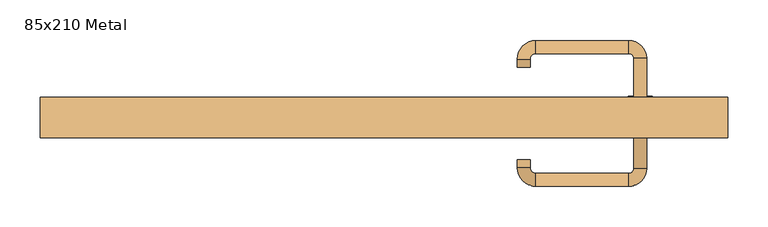
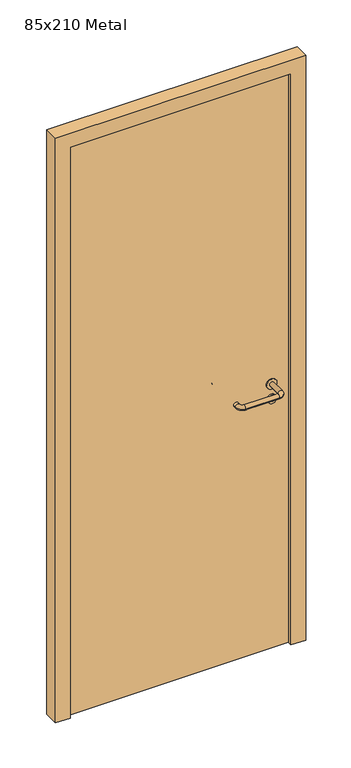
"""IFC4 building model written with IfcOpenShell, lengths in millimetres: door geometry, 85x210 Metal."""

from ifc_helpers import new_model, si_unit, point, frame, frame_2d, origin, origin_with_axes, place, context, project, spatial, polyline, circle_curve, ellipse_curve, trimmed, segment, composite_curve, outline, extrude, source, transform, mapped, element, save
from ifc_brep_helpers import plane_surface, cylinder_surface, revolved_surface, advanced_brep


def door_85x210_metal_9b842949(model_context):
    return source(origin(), model_context, "Body", "SolidModel", [
        extrude(outline(composite_curve([segment(trimmed(circle_curve(frame_2d((897.3605726, 317.0)), 15.0), [point((897.3605726, 332.0))], [point((897.3605726, 302.0))], False, "CARTESIAN"), True, "CONTINUOUS"), segment(trimmed(circle_curve(frame_2d((897.3605726, 317.0)), 15.0), [point((897.3605726, 302.0))], [point((897.3605726, 332.0))], False, "CARTESIAN"), True, "CONTINUOUS")], self_intersect=False), holes=[composite_curve([segment(trimmed(circle_curve(frame_2d((892.5833211, 316.9398032)), 2.0), [point((892.5833211, 318.9398032))], [point((892.5833211, 314.9398032))], True, "CARTESIAN"), True, "CONTINUOUS"), segment(polyline([(892.5833211, 314.9398032), (902.5833211, 314.9398032)]), True, "CONTINUOUS"), segment(trimmed(circle_curve(frame_2d((902.5833211, 316.9398032)), 2.0), [point((902.5833211, 314.9398032))], [point((902.5833211, 318.9398032))], True, "CARTESIAN"), True, "CONTINUOUS"), segment(polyline([(902.5833211, 318.9398032), (892.5833211, 318.9398032)]), True, "CONTINUOUS")], self_intersect=False)]), frame((0.0, 8.65, 0.0), z_axis=(0.0, 1.0, 0.0), x_axis=(0.0, 0.0, 1.0)), (0.0, 0.0, 1.0), 6.35),
        extrude(outline(composite_curve([segment(trimmed(circle_curve(frame_2d((950.0, 317.0)), 17.526), [point((950.0, 334.526))], [point((950.0, 299.474))], False, "CARTESIAN"), True, "CONTINUOUS"), segment(trimmed(circle_curve(frame_2d((950.0, 317.0)), 17.526), [point((950.0, 299.474))], [point((950.0, 334.526))], False, "CARTESIAN"), True, "CONTINUOUS")], self_intersect=False)), frame((0.0, 11.825, 0.0), z_axis=(0.0, 1.0, 0.0), x_axis=(0.0, 0.0, 1.0)), (0.0, 0.0, 1.0), 3.175),
        advanced_brep(
        [(325.0, 15.0, 950.0), (309.0, 15.0, 950.0), (309.0, -38.0, 950.0), (325.0, -38.0, 950.0), (302.8578644, -44.1421356, 950.0), (302.8578644, -60.1421356, 950.0), (187.8578644, -44.1421356, 950.0), (187.8578644, -60.1421356, 950.0), (181.008622, -37.2928932, 950.0), (165.008622, -37.2928932, 950.0), (165.008622, -27.2928932, 950.0), (181.008622, -27.2928932, 950.0)],
        [
            (0, 1, circle_curve(frame((317.0, 15.0, 950.0), z_axis=(0.0, 1.0, 0.0), x_axis=(-1.0, 0.0, 0.0)), 8.0)),
            (1, 0, circle_curve(frame((317.0, 15.0, 950.0), z_axis=(0.0, 1.0, 0.0), x_axis=(-1.0, 0.0, 0.0)), 8.0)),
            (1, 2),
            (2, 3, circle_curve(frame((317.0, -38.0, 950.0), z_axis=(0.0, 1.0, 0.0), x_axis=(-1.0, 0.0, 0.0)), 8.0)),
            (3, 0),
            (3, 2, circle_curve(frame((317.0, -38.0, 950.0), z_axis=(0.0, 1.0, 0.0), x_axis=(-1.0, 0.0, 0.0)), 8.0)),
            (4, 5, circle_curve(frame((302.8578644, -52.1421356, 950.0), z_axis=(1.0, 0.0, 0.0), x_axis=(0.0, 1.0, 0.0)), 8.0)),
            (5, 3, circle_curve(frame((302.8578644, -38.0, 950.0), z_axis=(0.0, 0.0, 1.0), x_axis=(1.0, 0.0, 0.0)), 22.1421356)),
            (2, 4, circle_curve(frame((302.8578644, -38.0, 950.0), z_axis=(0.0, 0.0, -1.0), x_axis=(1.0, 0.0, 0.0)), 6.1421356)),
            (5, 4, circle_curve(frame((302.8578644, -52.1421356, 950.0), z_axis=(1.0, 0.0, 0.0), x_axis=(0.0, 1.0, 0.0)), 8.0)),
            (4, 6),
            (6, 7, circle_curve(frame((187.8578644, -52.1421356, 950.0), z_axis=(1.0, 0.0, 0.0), x_axis=(0.0, 1.0, 0.0)), 8.0)),
            (7, 5),
            (7, 6, circle_curve(frame((187.8578644, -52.1421356, 950.0), z_axis=(1.0, 0.0, 0.0), x_axis=(0.0, 1.0, 0.0)), 8.0)),
            (8, 9, circle_curve(frame((173.008622, -37.2928932, 950.0), z_axis=(0.0, -1.0, 0.0), x_axis=(1.0, 0.0, 0.0)), 8.0)),
            (9, 7, circle_curve(frame((187.8578644, -37.2928932, 950.0), z_axis=(0.0, 0.0, 1.0), x_axis=(0.0, -1.0, 0.0)), 22.8492424)),
            (6, 8, circle_curve(frame((187.8578644, -37.2928932, 950.0), z_axis=(0.0, 0.0, -1.0), x_axis=(0.0, -1.0, 0.0)), 6.8492424)),
            (9, 8, circle_curve(frame((173.008622, -37.2928932, 950.0), z_axis=(0.0, -1.0, 0.0), x_axis=(1.0, 0.0, 0.0)), 8.0)),
            (10, 11, circle_curve(frame((173.008622, -27.2928932, 950.0), z_axis=(0.0, 1.0, 0.0), x_axis=(1.0, 0.0, 0.0)), 8.0)),
            (11, 10, circle_curve(frame((173.008622, -27.2928932, 950.0), z_axis=(0.0, 1.0, 0.0), x_axis=(1.0, 0.0, 0.0)), 8.0)),
            (8, 11),
            (10, 9),
        ],
        [
            plane_surface(frame((317.0, 15.0, 170.0), z_axis=(0.0, 1.0, 0.0), x_axis=(0.0, 0.0, 1.0))),
            cylinder_surface(frame((317.0, 15.0, 950.0), z_axis=(0.0, 1.0, 0.0), x_axis=(-1.0, 0.0, 0.0)), 8.0),
            revolved_surface(trimmed(ellipse_curve(frame((317.0, -38.0, 950.0), z_axis=(0.0, -1.0, 0.0), x_axis=(-1.0, 0.0, 0.0)), 8.0, 8.0), [point((325.0, -38.0, 950.0))], [point((309.0, -38.0, 950.0))], True, "CARTESIAN"), (302.8578644, -38.0, 170.0), (0.0, 0.0, 1.0)),
            revolved_surface(trimmed(ellipse_curve(frame((317.0, -38.0, 950.0), z_axis=(0.0, -1.0, 0.0), x_axis=(-1.0, 0.0, 0.0)), 8.0, 8.0), [point((309.0, -38.0, 950.0))], [point((325.0, -38.0, 950.0))], True, "CARTESIAN"), (302.8578644, -38.0, 170.0), (0.0, 0.0, 1.0)),
            cylinder_surface(frame((302.8578644, -52.1421356, 950.0), z_axis=(1.0, 0.0, 0.0), x_axis=(0.0, 1.0, 0.0)), 8.0),
            revolved_surface(trimmed(ellipse_curve(frame((187.8578644, -52.1421356, 950.0), z_axis=(-1.0, 0.0, 0.0), x_axis=(0.0, 1.0, 0.0)), 8.0, 8.0), [point((187.8578644, -60.1421356, 950.0))], [point((187.8578644, -44.1421356, 950.0))], True, "CARTESIAN"), (187.8578644, -37.2928932, 170.0), (0.0, 0.0, 1.0)),
            revolved_surface(trimmed(ellipse_curve(frame((187.8578644, -52.1421356, 950.0), z_axis=(-1.0, 0.0, 0.0), x_axis=(0.0, 1.0, 0.0)), 8.0, 8.0), [point((187.8578644, -44.1421356, 950.0))], [point((187.8578644, -60.1421356, 950.0))], True, "CARTESIAN"), (187.8578644, -37.2928932, 170.0), (0.0, 0.0, 1.0)),
            plane_surface(frame((173.008622, -27.2928932, 170.0), z_axis=(0.0, 1.0, 0.0), x_axis=(0.0, 0.0, 1.0))),
            cylinder_surface(frame((173.008622, -37.2928932, 950.0), z_axis=(0.0, -1.0, 0.0), x_axis=(1.0, 0.0, 0.0)), 8.0),
        ],
        [
            (0, [[1, 2]]),
            (1, [[3, 4, 5, -2]]),
            (1, [[-5, 6, -3, -1]]),
            (2, [[7, 8, -4, 9]]),
            (3, [[10, -9, -6, -8]]),
            (4, [[11, 12, 13, -7]]),
            (4, [[-13, 14, -11, -10]]),
            (5, [[15, 16, -12, 17]]),
            (6, [[18, -17, -14, -16]]),
            (7, [[19, 20]]),
            (8, [[21, -19, 22, -15]]),
            (8, [[-22, -20, -21, -18]]),
        ],
    ),
        extrude(outline(composite_curve([segment(trimmed(circle_curve(frame_2d((0.0, -15.0)), 15.0), [point((0.0, -30.0))], [point((0.0, 0.0))], False, "CARTESIAN"), True, "CONTINUOUS"), segment(trimmed(circle_curve(frame_2d((0.0, -15.0)), 15.0), [point((0.0, 0.0))], [point((0.0, -30.0))], False, "CARTESIAN"), True, "CONTINUOUS")], self_intersect=False), holes=[composite_curve([segment(trimmed(circle_curve(frame_2d((4.7772515, -14.9398032)), 2.0), [point((4.7772515, -16.9398032))], [point((4.7772515, -12.9398032))], True, "CARTESIAN"), True, "CONTINUOUS"), segment(polyline([(4.7772515, -12.9398032), (-5.2227485, -12.9398032)]), True, "CONTINUOUS"), segment(trimmed(circle_curve(frame_2d((-5.2227485, -14.9398032)), 2.0), [point((-5.2227485, -12.9398032))], [point((-5.2227485, -16.9398032))], True, "CARTESIAN"), True, "CONTINUOUS"), segment(polyline([(-5.2227485, -16.9398032), (4.7772515, -16.9398032)]), True, "CONTINUOUS")], self_intersect=False)]), frame((302.0, 45.0, 897.3605726), z_axis=(1.8870575173328306e-12, 1.0, 0.0), x_axis=(0.0, 0.0, -1.0)), (0.0, 0.0, 1.0), 6.35),
        extrude(outline(composite_curve([segment(trimmed(circle_curve(frame_2d((0.0, -17.526)), 17.526), [point((0.0, -35.052))], [point((0.0, 0.0))], False, "CARTESIAN"), True, "CONTINUOUS"), segment(trimmed(circle_curve(frame_2d((0.0, -17.526)), 17.526), [point((0.0, 0.0))], [point((0.0, -35.052))], False, "CARTESIAN"), True, "CONTINUOUS")], self_intersect=False)), frame((299.474, 45.0, 950.0), z_axis=(1.8870575173328306e-12, 1.0, 0.0), x_axis=(0.0, 0.0, -1.0)), (0.0, 0.0, 1.0), 3.175),
        advanced_brep(
        [(325.0, 45.0, 950.0), (309.0, 45.0, 950.0), (325.0, 98.0, 950.0), (309.0, 98.0, 950.0), (302.8578644, 104.1421356, 950.0), (302.8578644, 120.1421356, 950.0), (187.8578644, 120.1421356, 950.0), (187.8578644, 104.1421356, 950.0), (181.008622, 97.2928932, 950.0), (165.008622, 97.2928932, 950.0), (165.008622, 87.2928932, 950.0), (181.008622, 87.2928932, 950.0)],
        [
            (0, 1, circle_curve(frame((317.0, 45.0, 950.0), z_axis=(-1.888672253512351e-12, -1.0, 0.0), x_axis=(-1.0, 1.888672253512351e-12, 0.0)), 8.0)),
            (1, 0, circle_curve(frame((317.0, 45.0, 950.0), z_axis=(-1.888672253512351e-12, -1.0, 0.0), x_axis=(-1.0, 1.888672253512351e-12, 0.0)), 8.0)),
            (0, 2),
            (2, 3, circle_curve(frame((317.0, 98.0, 950.0), z_axis=(-1.888672253512351e-12, -1.0, 0.0), x_axis=(-1.0, 1.888672253512351e-12, 0.0)), 8.0)),
            (3, 1),
            (3, 2, circle_curve(frame((317.0, 98.0, 950.0), z_axis=(-1.888672253512351e-12, -1.0, 0.0), x_axis=(-1.0, 1.888672253512351e-12, 0.0)), 8.0)),
            (4, 3, circle_curve(frame((302.8578644, 98.0, 950.0), z_axis=(0.0, 0.0, -1.0), x_axis=(1.0, -1.880717803715015e-12, 0.0)), 6.1421356)),
            (2, 5, circle_curve(frame((302.8578644, 98.0, 950.0), z_axis=(0.0, 0.0, 1.0), x_axis=(1.0, -1.880717803715015e-12, 0.0)), 22.1421356)),
            (5, 4, circle_curve(frame((302.8578644, 112.1421356, 950.0), z_axis=(1.0, -1.913702061528922e-12, 0.0), x_axis=(-1.913702061528922e-12, -1.0, 0.0)), 8.0)),
            (4, 5, circle_curve(frame((302.8578644, 112.1421356, 950.0), z_axis=(1.0, -1.913702061528922e-12, 0.0), x_axis=(-1.913702061528922e-12, -1.0, 0.0)), 8.0)),
            (5, 6),
            (6, 7, circle_curve(frame((187.8578644, 112.1421356, 950.0), z_axis=(1.0, -1.913719828541269e-12, 0.0), x_axis=(-1.913719828541269e-12, -1.0, 0.0)), 8.0)),
            (7, 4),
            (7, 6, circle_curve(frame((187.8578644, 112.1421356, 950.0), z_axis=(1.0, -1.913719828541269e-12, 0.0), x_axis=(-1.913719828541269e-12, -1.0, 0.0)), 8.0)),
            (8, 7, circle_curve(frame((187.8578644, 97.2928932, 950.0), z_axis=(0.0, 0.0, -1.0), x_axis=(1.9120873253494017e-12, 1.0, 0.0)), 6.8492424)),
            (6, 9, circle_curve(frame((187.8578644, 97.2928932, 950.0), z_axis=(0.0, 0.0, 1.0), x_axis=(1.9120873253494017e-12, 1.0, 0.0)), 22.8492424)),
            (9, 8, circle_curve(frame((173.008622, 97.2928932, 950.0), z_axis=(1.890670654956676e-12, 1.0, 0.0), x_axis=(1.0, -1.890670654956676e-12, 0.0)), 8.0)),
            (8, 9, circle_curve(frame((173.008622, 97.2928932, 950.0), z_axis=(1.890226565746826e-12, 1.0, 0.0), x_axis=(1.0, -1.890226565746826e-12, 0.0)), 8.0)),
            (10, 11, circle_curve(frame((173.008622, 87.2928932, 950.0), z_axis=(-1.8903642334018795e-12, -1.0, 0.0), x_axis=(1.0, -1.8903642334018795e-12, 0.0)), 8.0)),
            (11, 10, circle_curve(frame((173.008622, 87.2928932, 950.0), z_axis=(-1.8903642334018795e-12, -1.0, 0.0), x_axis=(1.0, -1.8903642334018795e-12, 0.0)), 8.0)),
            (9, 10),
            (11, 8),
        ],
        [
            plane_surface(frame((317.0, 45.0, 170.0), z_axis=(-1.8870575173328306e-12, -1.0, 0.0), x_axis=(0.0, 0.0, 1.0))),
            cylinder_surface(frame((317.0, 45.0, 950.0), z_axis=(-1.888672253512351e-12, -1.0, 0.0), x_axis=(-1.0, 1.888672253512351e-12, 0.0)), 8.0),
            revolved_surface(trimmed(ellipse_curve(frame((317.0, 98.0, 950.0), z_axis=(-1.8823325398945356e-12, -1.0, 0.0), x_axis=(-1.0, 1.8823325398945356e-12, 0.0)), 8.0, 8.0), [point((325.0, 98.0, 950.0))], [point((309.0, 98.0, 950.0))], True, "CARTESIAN"), (302.8578644, 98.0, 170.0), (0.0, 0.0, 1.0)),
            revolved_surface(trimmed(ellipse_curve(frame((317.0, 98.0, 950.0), z_axis=(-1.8823325398945356e-12, -1.0, 0.0), x_axis=(-1.0, 1.8823325398945356e-12, 0.0)), 8.0, 8.0), [point((309.0, 98.0, 950.0))], [point((325.0, 98.0, 950.0))], True, "CARTESIAN"), (302.8578644, 98.0, 170.0), (0.0, 0.0, 1.0)),
            cylinder_surface(frame((302.8578644, 112.1421356, 950.0), z_axis=(1.0, -1.913719828541269e-12, 0.0), x_axis=(-1.913719828541269e-12, -1.0, 0.0)), 8.0),
            revolved_surface(trimmed(ellipse_curve(frame((187.8578644, 112.1421356, 950.0), z_axis=(1.0, -1.913702061528922e-12, 0.0), x_axis=(-1.913702061528922e-12, -1.0, 0.0)), 8.0, 8.0), [point((187.8578644, 120.1421356, 950.0))], [point((187.8578644, 104.1421356, 950.0))], True, "CARTESIAN"), (187.8578644, 97.2928932, 170.0), (0.0, 0.0, 1.0)),
            revolved_surface(trimmed(ellipse_curve(frame((187.8578644, 112.1421356, 950.0), z_axis=(1.0, -1.913702061528922e-12, 0.0), x_axis=(-1.913702061528922e-12, -1.0, 0.0)), 8.0, 8.0), [point((187.8578644, 104.1421356, 950.0))], [point((187.8578644, 120.1421356, 950.0))], True, "CARTESIAN"), (187.8578644, 97.2928932, 170.0), (0.0, 0.0, 1.0)),
            plane_surface(frame((173.008622, 87.2928932, 170.0), z_axis=(-1.8887494972223595e-12, -1.0, 0.0), x_axis=(0.0, 0.0, 1.0))),
            cylinder_surface(frame((173.008622, 97.2928932, 950.0), z_axis=(1.8903642334018795e-12, 1.0, 0.0), x_axis=(1.0, -1.8903642334018795e-12, 0.0)), 8.0),
        ],
        [
            (0, [[1, 2]]),
            (1, [[-1, 3, 4, 5]]),
            (1, [[-2, -5, 6, -3]]),
            (2, [[7, -4, 8, 9]]),
            (3, [[-8, -6, -7, 10]]),
            (4, [[-9, 11, 12, 13]]),
            (4, [[-10, -13, 14, -11]]),
            (5, [[15, -12, 16, 17]]),
            (6, [[-16, -14, -15, 18]]),
            (7, [[19, 20]]),
            (8, [[-17, 21, -20, 22]]),
            (8, [[-18, -22, -19, -21]]),
        ],
    ),
        extrude(outline(polyline([(2050.0, 375.0), (0.0, 375.0), (0.0, 425.0), (2100.0, 425.0), (2100.0, -425.0), (0.0, -425.0), (0.0, -375.0), (2050.0, -375.0), (2050.0, 375.0)])), frame((0.0, 0.0, 0.0), z_axis=(0.0, 1.0, 0.0), x_axis=(0.0, 0.0, 1.0)), (0.0, 0.0, 1.0), 50.0),
        extrude(outline(polyline([(-375.0, 45.0), (375.0, 45.0), (375.0, 15.0), (-375.0, 15.0), (-375.0, 45.0)])), origin_with_axes(), (0.0, 0.0, 1.0), 2050.0),
    ])


if __name__ == "__main__":
    model = new_model("IFC4")
    model_context = context("Model", 3, world=origin())
    ifc_project = project(units=[si_unit("LENGTHUNIT", "METRE", prefix="MILLI")], contexts=[model_context])
    site = spatial("IfcSite", under=ifc_project)
    building = spatial("IfcBuilding", under=site)
    placement = place(None, origin())
    door_85x210_metal_shape = door_85x210_metal_9b842949(model_context)
    element("IfcDoor", 1, ObjectType="85x210 Metal", at=placement, inside=building, context=model_context, shape_type="MappedRepresentation", body=[
        mapped(door_85x210_metal_shape, transform((0.0, 0.0, 0.0), x_axis=(1.0, 0.0, 0.0), y_axis=(0.0, 1.0, 0.0), z_axis=(0.0, 0.0, 1.0))),
    ])
    save(model, "model.ifc")
